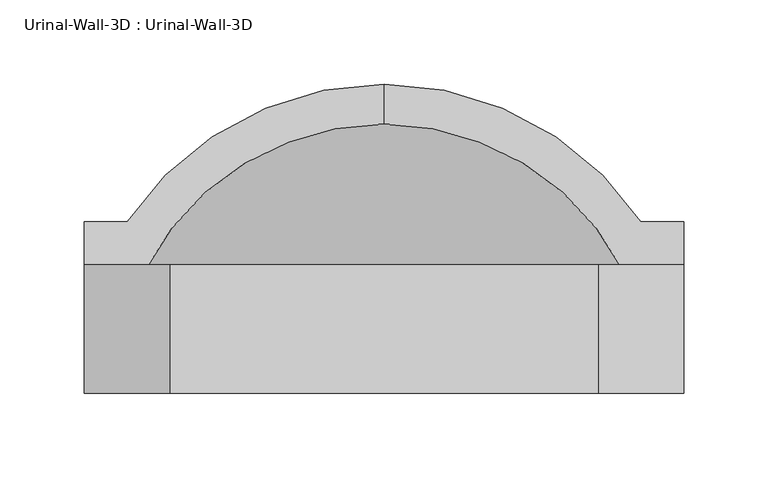
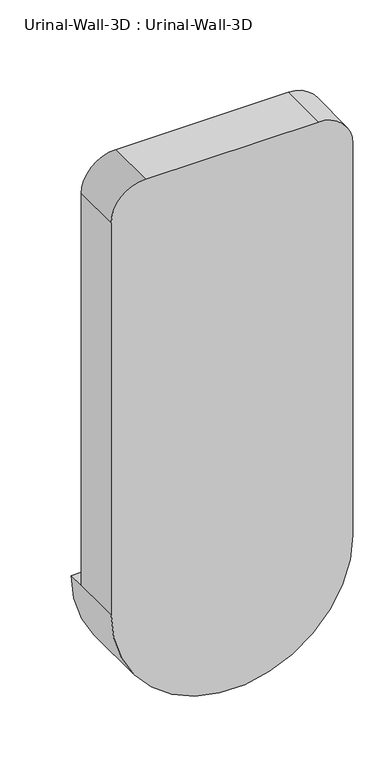
"""IFC4 building model written with IfcOpenShell, lengths in millimetres: flow terminal geometry, Urinal-Wall-3D : Urinal-Wall-3D."""

from ifc_helpers import new_model, si_unit, point, frame, origin, place, context, project, spatial, polyline, circle_curve, ellipse_curve, trimmed, source, transform, mapped, element, save
from ifc_brep_helpers import plane_surface, cylinder_surface, revolved_surface, advanced_brep


def urinal_wall_3d_urinal_wall_3d_e623dccf(model_context):
    return source(origin(), model_context, "Body", "AdvancedBrep", [
        advanced_brep(
        [(-109.0745999, 275.2370048, 609.6), (-109.0745999, 251.5197043, 609.6), (43.3254001, 138.9456063, 609.6), (43.3254001, 168.275, 609.6), (68.7254001, 168.275, 609.6), (68.7254001, 193.675, 609.6), (43.3254001, 193.675, 609.6), (-261.4745999, 193.675, 609.6), (-286.8745999, 193.675, 609.6), (-286.8745999, 168.275, 609.6), (-261.4745999, 168.275, 609.6), (-261.4745999, 138.9456063, 609.6), (-261.4745999, 104.775, 609.6), (43.3254001, 104.775, 609.6), (-286.8745999, 92.075, 609.6), (68.7254001, 92.075, 609.6), (68.7254001, 92.075, 1219.2), (17.9254001, 92.075, 1270.0), (-236.0745999, 92.075, 1270.0), (-286.8745999, 92.075, 1219.2), (43.3254001, 168.275, 1168.4), (-7.4745999, 168.275, 1219.2), (-210.6745999, 168.275, 1219.2), (-261.4745999, 168.275, 1168.4), (-286.8745999, 168.275, 1219.2), (-236.0745999, 168.275, 1270.0), (17.9254001, 168.275, 1270.0), (68.7254001, 168.275, 1219.2), (43.3254001, 104.775, 1168.4), (-7.4745999, 104.775, 1219.2), (-210.6745999, 104.775, 1219.2), (-261.4745999, 104.775, 1168.4)],
        [
            (0, 1),
            (1, 2, circle_curve(frame((-109.0745999, 92.075, 609.6), z_axis=(0.0, 0.0, -1.0), x_axis=(1.0, 0.0, 0.0)), 159.4447043)),
            (2, 3),
            (3, 4),
            (4, 5),
            (5, 6),
            (6, 0, circle_curve(frame((-109.0745999, 92.075, 609.6), z_axis=(0.0, 0.0, 1.0), x_axis=(1.0, 0.0, 0.0)), 183.1620048)),
            (0, 7, circle_curve(frame((-109.0745999, 92.075, 609.6), z_axis=(0.0, 0.0, 1.0), x_axis=(-1.0, 0.0, 0.0)), 183.1620048)),
            (7, 8),
            (8, 9),
            (9, 10),
            (10, 11),
            (11, 1, circle_curve(frame((-109.0745999, 92.075, 609.6), z_axis=(0.0, 0.0, -1.0), x_axis=(-1.0, 0.0, 0.0)), 159.4447043)),
            (11, 2, circle_curve(frame((-109.0745999, 138.9456063, 609.6), z_axis=(0.0, -1.0, 0.0), x_axis=(1.0, 0.0, 0.0)), 152.4)),
            (11, 12),
            (12, 13, circle_curve(frame((-109.0745999, 104.775, 609.6), z_axis=(0.0, -1.0, 0.0), x_axis=(1.0, 0.0, 0.0)), 152.4)),
            (13, 2),
            (14, 15, circle_curve(frame((-109.0745999, 92.075, 609.6), z_axis=(0.0, -1.0, 0.0), x_axis=(1.0, 0.0, 0.0)), 177.8)),
            (15, 16),
            (16, 17, circle_curve(frame((17.9254001, 92.075, 1219.2), z_axis=(0.0, -1.0, 0.0), x_axis=(-1.0, 0.0, 0.0)), 50.8)),
            (17, 18),
            (18, 19, circle_curve(frame((-236.0745999, 92.075, 1219.2), z_axis=(0.0, -1.0, 0.0), x_axis=(-1.0, 0.0, 0.0)), 50.8)),
            (19, 14),
            (14, 9),
            (8, 5, circle_curve(frame((-109.0745999, 193.675, 609.6), z_axis=(0.0, -1.0, 0.0), x_axis=(1.0, 0.0, 0.0)), 177.8)),
            (4, 15),
            (7, 6, circle_curve(frame((-109.0745999, 193.675, 609.6), z_axis=(0.0, -1.0, 0.0), x_axis=(1.0, 0.0, 0.0)), 152.4)),
            (3, 20),
            (20, 21, circle_curve(frame((-7.4745999, 168.275, 1168.4), z_axis=(0.0, -1.0, 0.0), x_axis=(-1.0, 0.0, 0.0)), 50.8)),
            (21, 22),
            (22, 23, circle_curve(frame((-210.6745999, 168.275, 1168.4), z_axis=(0.0, -1.0, 0.0), x_axis=(-1.0, 0.0, 0.0)), 50.8)),
            (23, 10),
            (9, 24),
            (24, 25, circle_curve(frame((-236.0745999, 168.275, 1219.2), z_axis=(0.0, 1.0, 0.0), x_axis=(-1.0, 0.0, 0.0)), 50.8)),
            (25, 26),
            (26, 27, circle_curve(frame((17.9254001, 168.275, 1219.2), z_axis=(0.0, 1.0, 0.0), x_axis=(-1.0, 0.0, 0.0)), 50.8)),
            (27, 4),
            (13, 28),
            (28, 20),
            (28, 29, circle_curve(frame((-7.4745999, 104.775, 1168.4), z_axis=(0.0, -1.0, 0.0), x_axis=(-1.0, 0.0, 0.0)), 50.8)),
            (29, 21),
            (29, 30),
            (30, 22),
            (30, 31, circle_curve(frame((-210.6745999, 104.775, 1168.4), z_axis=(0.0, -1.0, 0.0), x_axis=(-1.0, 0.0, 0.0)), 50.8)),
            (31, 23),
            (31, 12),
            (19, 24),
            (18, 25),
            (17, 26),
            (16, 27),
        ],
        [
            plane_surface(frame((-109.0745999, 381.2854173, 609.6), z_axis=(0.0, 0.0, 1.0), x_axis=(1.0, 0.0, 0.0))),
            plane_surface(frame((-109.0745999, 381.2854173, 609.6), z_axis=(0.0, 0.0, 1.0), x_axis=(-1.0, 0.0, 0.0))),
            revolved_surface(trimmed(ellipse_curve(frame((-109.0745999, 92.075, 609.6), z_axis=(0.0, 0.0, -1.0), x_axis=(1.0, 0.0, 0.0)), 159.4447043, 159.4447043), [point((-109.0745999, 251.5197043, 609.6))], [point((43.3254001, 138.9456063, 609.6))], True, "CARTESIAN"), (-109.0745999, 381.2854173, 609.6), (0.0, 1.0, 0.0)),
            revolved_surface(polyline([(43.32540010000001, 138.9456063, 609.6), (43.32540010000001, 104.77500000000003, 609.6)]), (-109.0745999, 381.2854173, 609.6), (0.0, 1.0, 0.0)),
            plane_surface(frame((-109.0745999, 92.075, 609.6), z_axis=(0.0, -1.0, 0.0), x_axis=(1.0, 0.0, 0.0))),
            cylinder_surface(frame((-109.0745999, 381.2854173, 609.6), z_axis=(0.0, 1.0, 0.0), x_axis=(1.0, 0.0, 0.0)), 177.8),
            plane_surface(frame((-109.0745999, 193.675, 609.6), z_axis=(0.0, 1.0, 0.0), x_axis=(1.0, 0.0, 0.0))),
            revolved_surface(trimmed(ellipse_curve(frame((-109.0745999, 92.075, 609.6), z_axis=(0.0, 0.0, 1.0), x_axis=(1.0, 0.0, 0.0)), 183.1620048, 183.1620048), [point((43.3254001, 193.675, 609.6))], [point((-109.0745999, 275.2370048, 609.6))], True, "CARTESIAN"), (-109.0745999, 381.2854173, 609.6), (0.0, 1.0, 0.0)),
            plane_surface(frame((43.3254001, 168.275, 609.6), z_axis=(0.0, 1.0, 0.0), x_axis=(0.0, 0.0, 1.0))),
            plane_surface(frame((43.3254001, 168.275, 609.6), z_axis=(-1.0, 0.0, 0.0), x_axis=(0.0, -1.0, 0.0))),
            revolved_surface(polyline([(-58.2745999, 104.775, 1168.4), (-58.2745999, 168.275, 1168.4)]), (-7.4745999, 92.075, 1168.4), (0.0, -1.0, 0.0)),
            plane_surface(frame((-7.4745999, 168.275, 1219.2), z_axis=(0.0, 0.0, -1.0), x_axis=(0.0, -1.0, 0.0))),
            revolved_surface(polyline([(-261.4745999, 104.775, 1168.4), (-261.4745999, 168.275, 1168.4)]), (-210.6745999, 92.075, 1168.4), (0.0, -1.0, 0.0)),
            plane_surface(frame((-261.4745999, 168.275, 1168.4), z_axis=(1.0, 0.0, 0.0), x_axis=(0.0, -1.0, 0.0))),
            plane_surface(frame((-286.8745999, 168.275, 609.6), z_axis=(-1.0, 0.0, 0.0), x_axis=(0.0, -1.0, 0.0))),
            cylinder_surface(frame((-236.0745999, 92.075, 1219.2), z_axis=(0.0, 1.0, 0.0), x_axis=(-1.0, 0.0, 0.0)), 50.8),
            plane_surface(frame((-236.0745999, 168.275, 1270.0), z_axis=(0.0, 0.0, 1.0), x_axis=(0.0, -1.0, 0.0))),
            cylinder_surface(frame((17.9254001, 92.075, 1219.2), z_axis=(0.0, 1.0, 0.0), x_axis=(-1.0, 0.0, 0.0)), 50.8),
            plane_surface(frame((68.7254001, 168.275, 1219.2), z_axis=(1.0, 0.0, 0.0), x_axis=(0.0, -1.0, 0.0))),
            plane_surface(frame((43.3254001, 104.775, 609.6), z_axis=(0.0, 1.0, 0.0), x_axis=(0.0, 0.0, -1.0))),
        ],
        [
            (0, [[1, 2, 3, 4, 5, 6, 7]]),
            (1, [[-1, 8, 9, 10, 11, 12, 13]]),
            (2, [[-2, -13, 14]]),
            (3, [[-14, 15, 16, 17]]),
            (4, [[18, 19, 20, 21, 22, 23]]),
            (5, [[-18, 24, -10, 25, -5, 26]]),
            (6, [[-6, -25, -9, 27]]),
            (7, [[-7, -27, -8]]),
            (8, [[28, 29, 30, 31, 32, -11, 33, 34, 35, 36, 37, -4]]),
            (9, [[-28, -3, -17, 38, 39]]),
            (10, [[-29, -39, 40, 41]]),
            (11, [[-30, -41, 42, 43]]),
            (12, [[-31, -43, 44, 45]]),
            (13, [[-32, -45, 46, -15, -12]]),
            (14, [[-33, -24, -23, 47]]),
            (15, [[-34, -47, -22, 48]]),
            (16, [[-35, -48, -21, 49]]),
            (17, [[-36, -49, -20, 50]]),
            (18, [[-37, -50, -19, -26]]),
            (19, [[-16, -46, -44, -42, -40, -38]]),
        ],
    ),
    ])


if __name__ == "__main__":
    model = new_model("IFC4")
    model_context = context("Model", 3, world=origin())
    ifc_project = project(units=[si_unit("LENGTHUNIT", "METRE", prefix="MILLI")], contexts=[model_context])
    site = spatial("IfcSite", under=ifc_project)
    building = spatial("IfcBuilding", under=site)
    placement = place(None, origin())
    urinal_wall_3d_urinal_wall_3d_shape = urinal_wall_3d_urinal_wall_3d_e623dccf(model_context)
    element("IfcFlowTerminal", 1, ObjectType="Urinal-Wall-3D : Urinal-Wall-3D", at=placement, inside=building, context=model_context, shape_type="MappedRepresentation", body=[
        mapped(urinal_wall_3d_urinal_wall_3d_shape, transform((0.0, 0.0, 0.0), x_axis=(1.0, 0.0, 0.0), y_axis=(0.0, 1.0, 0.0), z_axis=(0.0, 0.0, 1.0))),
    ])
    save(model, "model.ifc")
